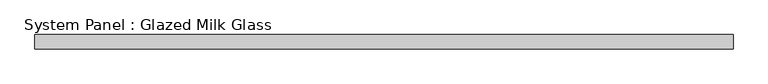
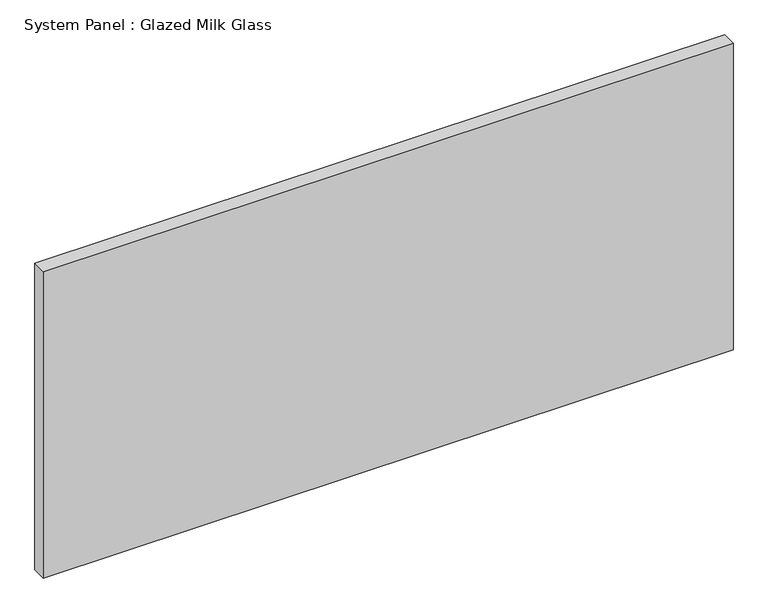
"""IFC4 building model written with IfcOpenShell, lengths in millimetres: plate geometry, System Panel : Glazed Milk Glass."""

from ifc_helpers import new_model, si_unit, origin, origin_with_axes, place, context, project, spatial, polyline, outline, extrude, source, transform, mapped, element, save


def system_panel_glazed_milk_glass_a6489b7c(model_context):
    return source(origin(), model_context, "Body", "SweptSolid", [
        extrude(outline(polyline([(610.0, -12.5), (-610.0, -12.5), (-610.0, 12.5), (610.0, 12.5), (610.0, -12.5)])), origin_with_axes(), (0.0, 0.0, 1.0), 573.0),
    ])


if __name__ == "__main__":
    model = new_model("IFC4")
    model_context = context("Model", 3, world=origin())
    ifc_project = project(units=[si_unit("LENGTHUNIT", "METRE", prefix="MILLI")], contexts=[model_context])
    site = spatial("IfcSite", under=ifc_project)
    building = spatial("IfcBuilding", under=site)
    placement = place(None, origin())
    system_panel_glazed_milk_glass_shape = system_panel_glazed_milk_glass_a6489b7c(model_context)
    element("IfcPlate", 1, ObjectType="System Panel : Glazed Milk Glass", at=placement, inside=building, context=model_context, shape_type="MappedRepresentation", body=[
        mapped(system_panel_glazed_milk_glass_shape, transform((0.0, 0.0, 0.0), x_axis=(1.0, 0.0, 0.0), y_axis=(0.0, 1.0, 0.0), z_axis=(0.0, 0.0, 1.0))),
    ])
    save(model, "model.ifc")
